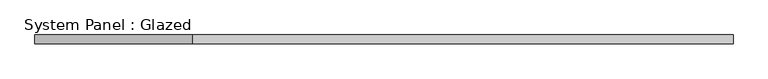
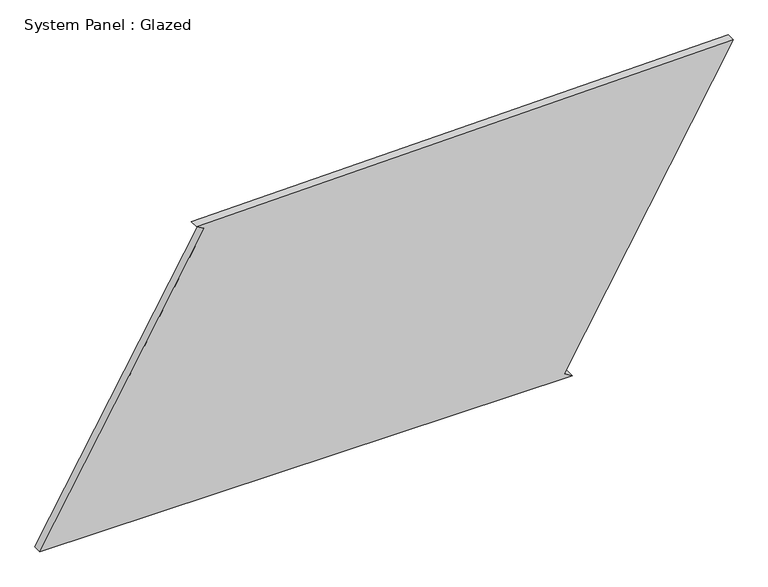
"""IFC4 building model written with IfcOpenShell, lengths in millimetres: plate geometry, System Panel : Glazed."""

from ifc_helpers import new_model, si_unit, frame, origin, place, context, project, spatial, polyline, outline, extrude, source, transform, mapped, element, save


def system_panel_glazed_af5a6e7f(model_context):
    return source(origin(), model_context, "Body", "SweptSolid", [
        extrude(outline(polyline([(0.0, -985.0117972), (0.0, 527.2546852), (12.4404617, 505.5697846), (848.1532078, 985.0117972), (820.5889868, -539.9487863), (808.0857068, -518.3000452), (0.0, -985.0117972)])), frame((0.0, -49.5, 0.0), z_axis=(0.0, 1.0, 0.0), x_axis=(0.0, 0.0, 1.0)), (0.0, 0.0, 1.0), 25.0),
    ])


if __name__ == "__main__":
    model = new_model("IFC4")
    model_context = context("Model", 3, world=origin())
    ifc_project = project(units=[si_unit("LENGTHUNIT", "METRE", prefix="MILLI")], contexts=[model_context])
    site = spatial("IfcSite", under=ifc_project)
    building = spatial("IfcBuilding", under=site)
    placement = place(None, origin())
    system_panel_glazed_shape = system_panel_glazed_af5a6e7f(model_context)
    element("IfcPlate", 1, ObjectType="System Panel : Glazed", at=placement, inside=building, context=model_context, shape_type="MappedRepresentation", body=[
        mapped(system_panel_glazed_shape, transform((0.0, 0.0, 0.0), x_axis=(1.0, 0.0, 0.0), y_axis=(0.0, 1.0, 0.0), z_axis=(0.0, 0.0, 1.0))),
    ])
    save(model, "model.ifc")
